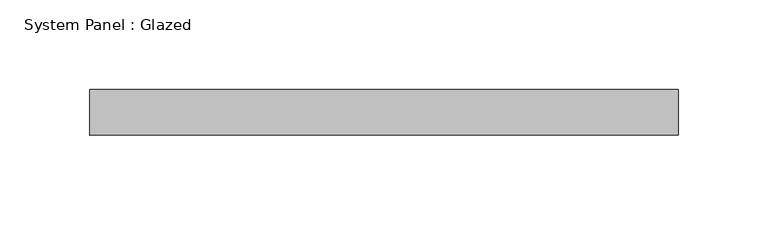
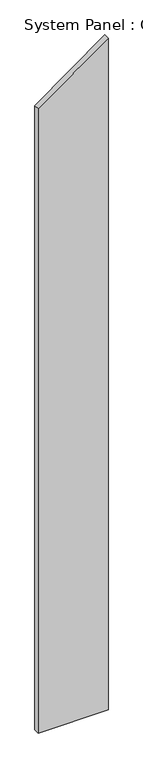
"""IFC4 building model written with IfcOpenShell, lengths in millimetres: plate geometry, System Panel : Glazed."""

from ifc_helpers import new_model, si_unit, frame, origin, place, context, project, spatial, polyline, outline, extrude, source, transform, mapped, element, save


def system_panel_glazed_63011951(model_context):
    return source(origin(), model_context, "Body", "SweptSolid", [
        extrude(outline(polyline([(0.0, -163.7297021), (0.0, 163.7297021), (3321.2443456, 163.7297021), (3086.1, -163.7297021), (0.0, -163.7297021)])), frame((0.0, 19.05, 0.0), z_axis=(0.0, 1.0, 0.0), x_axis=(0.0, 0.0, 1.0)), (0.0, 0.0, 1.0), 25.4),
    ])


if __name__ == "__main__":
    model = new_model("IFC4")
    model_context = context("Model", 3, world=origin())
    ifc_project = project(units=[si_unit("LENGTHUNIT", "METRE", prefix="MILLI")], contexts=[model_context])
    site = spatial("IfcSite", under=ifc_project)
    building = spatial("IfcBuilding", under=site)
    placement = place(None, origin())
    system_panel_glazed_shape = system_panel_glazed_63011951(model_context)
    element("IfcPlate", 1, ObjectType="System Panel : Glazed", at=placement, inside=building, context=model_context, shape_type="MappedRepresentation", body=[
        mapped(system_panel_glazed_shape, transform((0.0, 0.0, 0.0), x_axis=(1.0, 0.0, 0.0), y_axis=(0.0, 1.0, 0.0), z_axis=(0.0, 0.0, 1.0))),
    ])
    save(model, "model.ifc")
